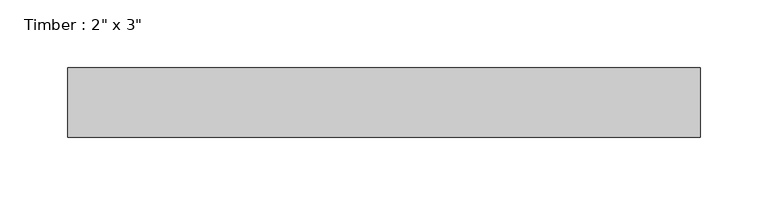
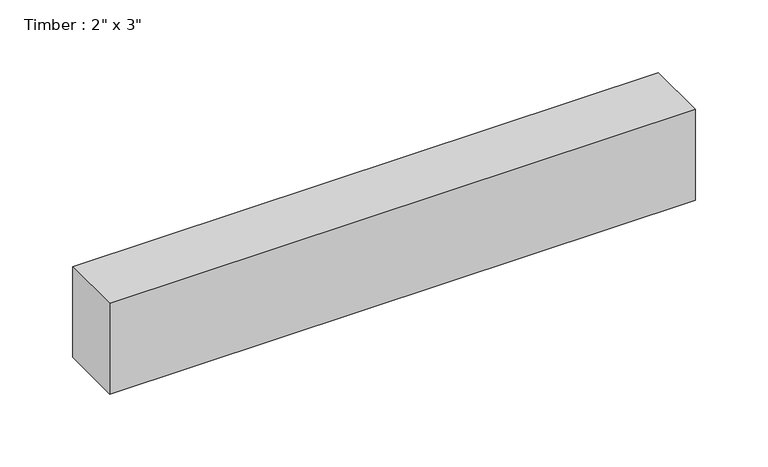
"""IFC4 building model written with IfcOpenShell, lengths in millimetres: beam geometry."""

import ifcopenshell
import ifcopenshell.guid

model = None  # the IFC model being written
_history = None  # IfcOwnerHistory: only IFC2X3 demands one
_inside = {}  # id of a spatial element -> (the spatial element, [elements in it])
_under = {}  # id of a project, library or spatial element -> (it, [spatial elements below it])
_declared = {}  # id of a project -> (the project, [libraries it declares])
_typed = {}  # id of a type object -> (the type object, [elements of that type])
_made_of = {}  # id of a material, layer set ... -> (it, [elements and type objects made of it])


def new_model(schema):
    """Start an empty IFC model of exactly this schema.

    Asked for "IFC4X3", IfcOpenShell would pick the latest addendum, in which some entities
    have other attributes; the version numbers below select the first issue.
    IFC2X3 requires an IfcOwnerHistory on every rooted entity: one is made here for all.
    """
    global model, _history
    if schema == "IFC4X3":
        model = ifcopenshell.file(schema_version=(4, 3, 0, 0))
    else:
        model = ifcopenshell.file(schema=schema)
    _inside.clear()
    _under.clear()
    _declared.clear()
    _typed.clear()
    _made_of.clear()
    _history = None
    if model.schema == "IFC2X3":
        org = make("IfcOrganization", Name="unknown")
        user = make(
            "IfcPersonAndOrganization",
            ThePerson=make("IfcPerson", FamilyName="unknown"),
            TheOrganization=org,
        )
        app = make(
            "IfcApplication",
            ApplicationDeveloper=org,
            Version="unknown",
            ApplicationFullName="unknown",
            ApplicationIdentifier="unknown",
        )
        _history = make(
            "IfcOwnerHistory",
            OwningUser=user,
            OwningApplication=app,
            ChangeAction="ADDED",
            CreationDate=0,
        )
    return model


def make(cls, **values):
    """One entity of the class cls with the attributes given. An attribute that is None is left unset."""
    return model.create_entity(
        cls, **{name: value for name, value in values.items() if value is not None}
    )


def rooted(cls, **values):
    """An entity with a GlobalId (a new one), such as an element, a storey or a relation."""
    return make(cls, GlobalId=ifcopenshell.guid.new(), OwnerHistory=_history, **values)


def si_unit(unit_type, name, prefix=None):
    """IfcSIUnit, for example si_unit("LENGTHUNIT", "METRE", prefix="MILLI")."""
    return make("IfcSIUnit", UnitType=unit_type, Prefix=prefix, Name=name)


def assignment(units):
    """IfcUnitAssignment: the units of a project."""
    return None if units is None else make("IfcUnitAssignment", Units=units)


def point(xyz):
    """IfcCartesianPoint."""
    return None if xyz is None else make("IfcCartesianPoint", Coordinates=xyz)


def direction(xyz):
    """IfcDirection."""
    return None if xyz is None else make("IfcDirection", DirectionRatios=xyz)


def frame(location, z_axis=None, x_axis=None):
    """IfcAxis2Placement3D, a coordinate frame: its origin and axes. An axis left out is left unset."""
    return make(
        "IfcAxis2Placement3D",
        Location=point(location),
        Axis=direction(z_axis),
        RefDirection=direction(x_axis),
    )


def origin():
    """The frame at (0, 0, 0) with its axes left unset."""
    return frame((0.0, 0.0, 0.0))


def place(relative_to, where):
    """IfcLocalPlacement: puts the frame where relative to a parent placement (None: the world)."""
    return make(
        "IfcLocalPlacement", PlacementRelTo=relative_to, RelativePlacement=where
    )


def context(
    kind, dimensions, precision=None, world=None, true_north=None, identifier=None
):
    """IfcGeometricRepresentationContext, for example the 3D "Model" context."""
    return make(
        "IfcGeometricRepresentationContext",
        ContextIdentifier=identifier,
        ContextType=kind,
        CoordinateSpaceDimension=dimensions,
        Precision=precision,
        WorldCoordinateSystem=world,
        TrueNorth=true_north,
    )


def project(units=None, contexts=None):
    """IfcProject with its units and contexts."""
    return rooted(
        "IfcProject",
        Name="project",
        RepresentationContexts=contexts,
        UnitsInContext=assignment(units),
    )


def spatial(cls, under=None, at=None, **own):
    """A site, building, storey or space (cls), placed at a placement, below another one or the project."""
    s = rooted(cls, ObjectPlacement=at, **own)
    if under is not None:
        _under.setdefault(under.id(), (under, []))[1].append(s)
    return s


def polyline(points):
    """IfcPolyline through the points."""
    return make("IfcPolyline", Points=[point(p) for p in points])


def outline(outer, holes=None, kind="AREA"):
    """IfcArbitraryClosedProfileDef: a profile drawn as a closed curve; with holes, ...WithVoids."""
    if holes is None:
        return make("IfcArbitraryClosedProfileDef", ProfileType=kind, OuterCurve=outer)
    return make(
        "IfcArbitraryProfileDefWithVoids",
        ProfileType=kind,
        OuterCurve=outer,
        InnerCurves=holes,
    )


def extrude(swept, where, along, depth):
    """IfcExtrudedAreaSolid: the profile swept, set in the frame where, extruded along a direction by depth."""
    return make(
        "IfcExtrudedAreaSolid",
        SweptArea=swept,
        Position=where,
        ExtrudedDirection=direction(along),
        Depth=depth,
    )


def shape(context_of_items, identifier, shape_type, items):
    """IfcShapeRepresentation: the items that make up one representation, for example the "Body"."""
    return make(
        "IfcShapeRepresentation",
        ContextOfItems=context_of_items,
        RepresentationIdentifier=identifier,
        RepresentationType=shape_type,
        Items=items,
    )


def source(mapping_origin, context_of_items, identifier, shape_type, items):
    """IfcRepresentationMap: a shape defined once, which mapped items show again and again."""
    return make(
        "IfcRepresentationMap",
        MappingOrigin=mapping_origin,
        MappedRepresentation=shape(context_of_items, identifier, shape_type, items),
    )


def transform(
    local_origin,
    x_axis=None,
    y_axis=None,
    z_axis=None,
    scale=None,
    scale2=None,
    scale3=None,
    uniform=True,
):
    """IfcCartesianTransformationOperator3D, or its non-uniform kind. x_axis, y_axis, z_axis: its Axis1, 2, 3."""
    if uniform:
        return make(
            "IfcCartesianTransformationOperator3D",
            Axis1=direction(x_axis),
            Axis2=direction(y_axis),
            LocalOrigin=point(local_origin),
            Scale=scale,
            Axis3=direction(z_axis),
        )
    return make(
        "IfcCartesianTransformationOperator3DnonUniform",
        Axis1=direction(x_axis),
        Axis2=direction(y_axis),
        LocalOrigin=point(local_origin),
        Scale=scale,
        Axis3=direction(z_axis),
        Scale2=scale2,
        Scale3=scale3,
    )


def mapped(mapping_source, mapping_target):
    """IfcMappedItem: shows the shape of a source again, moved by a transform."""
    return make(
        "IfcMappedItem", MappingSource=mapping_source, MappingTarget=mapping_target
    )


def made_of(thing, what):
    """Note that an element or type object is made of a material, layer set ...; save() writes the relation."""
    if what is not None:
        _made_of.setdefault(what.id(), (what, []))[1].append(thing)
    return thing


def element(
    cls,
    number,
    at=None,
    inside=None,
    cuts=None,
    type_object=None,
    material=None,
    context=None,
    identifier="Body",
    shape_type=None,
    held_by="IfcProductDefinitionShape",
    body=None,
    shapes=None,
    **own,
):
    """One element of the class cls, such as IfcWall. Its Tag is "e" and its number.

    at: its placement. inside: the storey or other place that contains it. cuts: it is an
    opening in that element (IfcRelVoidsElement). A single representation is given by context,
    identifier, shape_type and body (its items); several are given by shapes. held_by: the class
    of the entity that holds the representations. save() writes the other relations.
    """
    e = rooted(cls, Tag="e%d" % number, ObjectPlacement=at, **own)
    if body is not None:
        shapes = [shape(context, identifier, shape_type, body)]
    if shapes is not None:
        e.Representation = make(held_by, Representations=shapes)
    if inside is not None:
        _inside.setdefault(inside.id(), (inside, []))[1].append(e)
    if cuts is not None:
        rooted(
            "IfcRelVoidsElement", RelatingBuildingElement=cuts, RelatedOpeningElement=e
        )
    if type_object is not None:
        _typed.setdefault(type_object.id(), (type_object, []))[1].append(e)
    return made_of(e, material)


def aggregate(whole, parts):
    """IfcRelAggregates: a whole, such as a stair, and the parts it consists of."""
    return rooted("IfcRelAggregates", RelatingObject=whole, RelatedObjects=parts)


def save(model, path):
    """Write the relations noted so far, then the file.

    IfcRelAggregates (storeys below a building ...), IfcRelContainedInSpatialStructure (elements
    in a storey), IfcRelDefinesByType, IfcRelAssociatesMaterial and IfcRelDeclares: one each for
    every whole, place, type object, material and project.
    """
    for whole, parts in _under.values():
        aggregate(whole, parts)
    for where, things in _inside.values():
        rooted(
            "IfcRelContainedInSpatialStructure",
            RelatedElements=things,
            RelatingStructure=where,
        )
    for kind, things in _typed.values():
        rooted("IfcRelDefinesByType", RelatedObjects=things, RelatingType=kind)
    for what, things in _made_of.values():
        rooted("IfcRelAssociatesMaterial", RelatedObjects=things, RelatingMaterial=what)
    for by, libraries in _declared.values():
        rooted("IfcRelDeclares", RelatingContext=by, RelatedDefinitions=libraries)
    model.write(path)


def beam_8b6103cd(model_context):
    return source(origin(), model_context, "Body", "SweptSolid", [
        extrude(outline(polyline([(232.5031892, -25.4), (-232.5031892, -25.4), (-232.5031892, 25.4), (232.5031892, 25.4), (232.5031892, -25.4)])), frame((0.0, 0.0, -38.1), z_axis=(0.0, 0.0, 1.0), x_axis=(1.0, 0.0, 0.0)), (0.0, 0.0, 1.0), 76.2),
    ])


if __name__ == "__main__":
    model = new_model("IFC4")
    model_context = context("Model", 3, world=origin())
    ifc_project = project(units=[si_unit("LENGTHUNIT", "METRE", prefix="MILLI")], contexts=[model_context])
    site = spatial("IfcSite", under=ifc_project)
    building = spatial("IfcBuilding", under=site)
    placement = place(None, origin())
    beam_shape = beam_8b6103cd(model_context)
    element("IfcBeam", 1, ObjectType="Timber : 2\" x 3\"", at=placement, inside=building, context=model_context, shape_type="MappedRepresentation", body=[
        mapped(beam_shape, transform((0.0, 0.0, 0.0), x_axis=(1.0, 0.0, 0.0), y_axis=(0.0, 1.0, 0.0), z_axis=(0.0, 0.0, 1.0))),
    ])
    save(model, "model.ifc")
